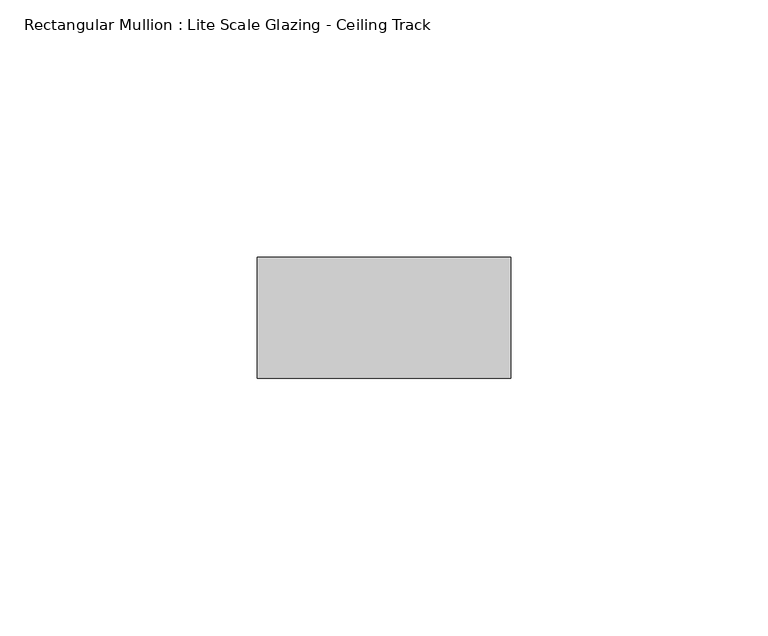
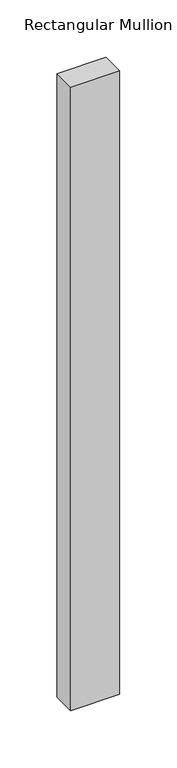
"""IFC4 building model written with IfcOpenShell, lengths in millimetres: member geometry, Rectangular Mullion : Lite Scale Glazing - Ceiling Track."""

from ifc_helpers import new_model, si_unit, frame, origin, place, context, project, spatial, polyline, outline, extrude, source, transform, mapped, element, save


def rectangular_mullion_lite_scale_glazing_ceiling_track_d5c1745d(model_context):
    return source(origin(), model_context, "Body", "SweptSolid", [
        extrude(outline(polyline([(-49.276, -11.7474999), (-49.276, 11.7474999), (0.0, 11.7474999), (0.0, -11.7474999), (-49.276, -11.7474999)])), frame((0.0, 0.0, -663.11145), z_axis=(0.0, 0.0, 1.0), x_axis=(1.0, 0.0, 0.0)), (0.0, 0.0, 1.0), 663.11145),
    ])


if __name__ == "__main__":
    model = new_model("IFC4")
    model_context = context("Model", 3, world=origin())
    ifc_project = project(units=[si_unit("LENGTHUNIT", "METRE", prefix="MILLI")], contexts=[model_context])
    site = spatial("IfcSite", under=ifc_project)
    building = spatial("IfcBuilding", under=site)
    placement = place(None, origin())
    rectangular_mullion_lite_scale_glazing_ceiling_track_shape = rectangular_mullion_lite_scale_glazing_ceiling_track_d5c1745d(model_context)
    element("IfcMember", 1, ObjectType="Rectangular Mullion : Lite Scale Glazing - Ceiling Track", at=placement, inside=building, context=model_context, shape_type="MappedRepresentation", body=[
        mapped(rectangular_mullion_lite_scale_glazing_ceiling_track_shape, transform((0.0, 0.0, 0.0), x_axis=(1.0, 0.0, 0.0), y_axis=(0.0, 1.0, 0.0), z_axis=(0.0, 0.0, 1.0))),
    ])
    save(model, "model.ifc")
